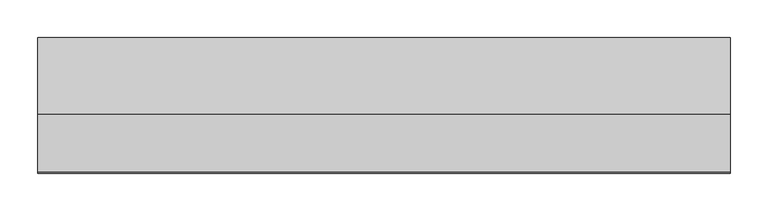
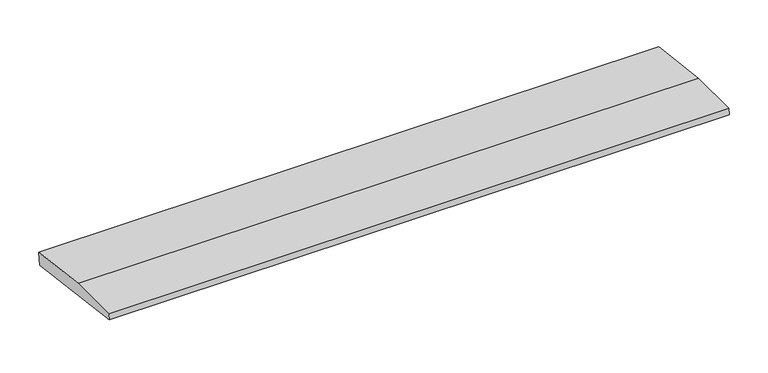
"""IFC4 building model written with IfcOpenShell, lengths in millimetres: beam geometry."""

from ifc_helpers import new_model, si_unit, frame, origin, place, context, project, spatial, polyline, outline, extrude, source, transform, mapped, element, save


def beam_0986cd51(model_context):
    return source(origin(), model_context, "Body", "SweptSolid", [
        extrude(outline(polyline([(0.0, -9.143159), (1.1226388, 0.0), (79.0749747, 0.0), (180.9387048, -12.5072934), (178.6231873, -31.3656703), (0.0, -9.143159)])), frame((-460.4114237, 0.0, 0.0), z_axis=(1.0, 0.0, 0.0), x_axis=(0.0, 1.0, 0.0)), (0.0, 0.0, 1.0), 920.8228475),
    ])


if __name__ == "__main__":
    model = new_model("IFC4")
    model_context = context("Model", 3, world=origin())
    ifc_project = project(units=[si_unit("LENGTHUNIT", "METRE", prefix="MILLI")], contexts=[model_context])
    site = spatial("IfcSite", under=ifc_project)
    building = spatial("IfcBuilding", under=site)
    placement = place(None, origin())
    beam_shape = beam_0986cd51(model_context)
    element("IfcBeam", 1, at=placement, inside=building, context=model_context, shape_type="MappedRepresentation", body=[
        mapped(beam_shape, transform((0.0, 0.0, 0.0), x_axis=(1.0, 0.0, 0.0), y_axis=(0.0, 1.0, 0.0), z_axis=(0.0, 0.0, 1.0))),
    ])
    save(model, "model.ifc")
